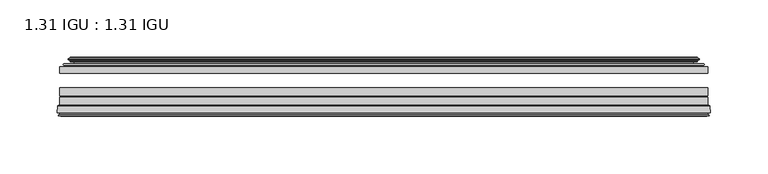
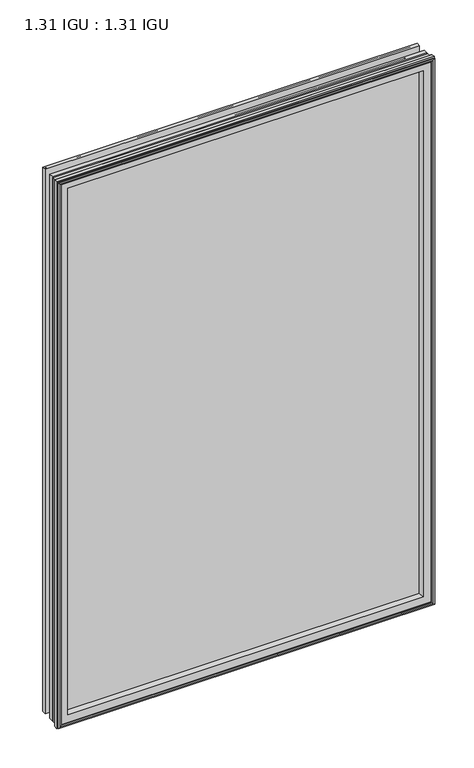
"""IFC4 building model written with IfcOpenShell, lengths in millimetres: plate geometry, 1.31 IGU : 1.31 IGU."""

import ifcopenshell
import ifcopenshell.guid

model = None  # the IFC model being written
_history = None  # IfcOwnerHistory: only IFC2X3 demands one
_inside = {}  # id of a spatial element -> (the spatial element, [elements in it])
_under = {}  # id of a project, library or spatial element -> (it, [spatial elements below it])
_declared = {}  # id of a project -> (the project, [libraries it declares])
_typed = {}  # id of a type object -> (the type object, [elements of that type])
_made_of = {}  # id of a material, layer set ... -> (it, [elements and type objects made of it])


def new_model(schema):
    """Start an empty IFC model of exactly this schema.

    Asked for "IFC4X3", IfcOpenShell would pick the latest addendum, in which some entities
    have other attributes; the version numbers below select the first issue.
    IFC2X3 requires an IfcOwnerHistory on every rooted entity: one is made here for all.
    """
    global model, _history
    if schema == "IFC4X3":
        model = ifcopenshell.file(schema_version=(4, 3, 0, 0))
    else:
        model = ifcopenshell.file(schema=schema)
    _inside.clear()
    _under.clear()
    _declared.clear()
    _typed.clear()
    _made_of.clear()
    _history = None
    if model.schema == "IFC2X3":
        org = make("IfcOrganization", Name="unknown")
        user = make(
            "IfcPersonAndOrganization",
            ThePerson=make("IfcPerson", FamilyName="unknown"),
            TheOrganization=org,
        )
        app = make(
            "IfcApplication",
            ApplicationDeveloper=org,
            Version="unknown",
            ApplicationFullName="unknown",
            ApplicationIdentifier="unknown",
        )
        _history = make(
            "IfcOwnerHistory",
            OwningUser=user,
            OwningApplication=app,
            ChangeAction="ADDED",
            CreationDate=0,
        )
    return model


def make(cls, **values):
    """One entity of the class cls with the attributes given. An attribute that is None is left unset."""
    return model.create_entity(
        cls, **{name: value for name, value in values.items() if value is not None}
    )


def rooted(cls, **values):
    """An entity with a GlobalId (a new one), such as an element, a storey or a relation."""
    return make(cls, GlobalId=ifcopenshell.guid.new(), OwnerHistory=_history, **values)


def si_unit(unit_type, name, prefix=None):
    """IfcSIUnit, for example si_unit("LENGTHUNIT", "METRE", prefix="MILLI")."""
    return make("IfcSIUnit", UnitType=unit_type, Prefix=prefix, Name=name)


def assignment(units):
    """IfcUnitAssignment: the units of a project."""
    return None if units is None else make("IfcUnitAssignment", Units=units)


def point(xyz):
    """IfcCartesianPoint."""
    return None if xyz is None else make("IfcCartesianPoint", Coordinates=xyz)


def direction(xyz):
    """IfcDirection."""
    return None if xyz is None else make("IfcDirection", DirectionRatios=xyz)


def frame(location, z_axis=None, x_axis=None):
    """IfcAxis2Placement3D, a coordinate frame: its origin and axes. An axis left out is left unset."""
    return make(
        "IfcAxis2Placement3D",
        Location=point(location),
        Axis=direction(z_axis),
        RefDirection=direction(x_axis),
    )


def origin():
    """The frame at (0, 0, 0) with its axes left unset."""
    return frame((0.0, 0.0, 0.0))


def place(relative_to, where):
    """IfcLocalPlacement: puts the frame where relative to a parent placement (None: the world)."""
    return make(
        "IfcLocalPlacement", PlacementRelTo=relative_to, RelativePlacement=where
    )


def context(
    kind, dimensions, precision=None, world=None, true_north=None, identifier=None
):
    """IfcGeometricRepresentationContext, for example the 3D "Model" context."""
    return make(
        "IfcGeometricRepresentationContext",
        ContextIdentifier=identifier,
        ContextType=kind,
        CoordinateSpaceDimension=dimensions,
        Precision=precision,
        WorldCoordinateSystem=world,
        TrueNorth=true_north,
    )


def project(units=None, contexts=None):
    """IfcProject with its units and contexts."""
    return rooted(
        "IfcProject",
        Name="project",
        RepresentationContexts=contexts,
        UnitsInContext=assignment(units),
    )


def spatial(cls, under=None, at=None, **own):
    """A site, building, storey or space (cls), placed at a placement, below another one or the project."""
    s = rooted(cls, ObjectPlacement=at, **own)
    if under is not None:
        _under.setdefault(under.id(), (under, []))[1].append(s)
    return s


def polyline(points):
    """IfcPolyline through the points."""
    return make("IfcPolyline", Points=[point(p) for p in points])


def ellipse_curve(where, semi_axis1, semi_axis2):
    """IfcEllipse in the frame where."""
    return make(
        "IfcEllipse", Position=where, SemiAxis1=semi_axis1, SemiAxis2=semi_axis2
    )


def outline(outer, holes=None, kind="AREA"):
    """IfcArbitraryClosedProfileDef: a profile drawn as a closed curve; with holes, ...WithVoids."""
    if holes is None:
        return make("IfcArbitraryClosedProfileDef", ProfileType=kind, OuterCurve=outer)
    return make(
        "IfcArbitraryProfileDefWithVoids",
        ProfileType=kind,
        OuterCurve=outer,
        InnerCurves=holes,
    )


def extrude(swept, where, along, depth):
    """IfcExtrudedAreaSolid: the profile swept, set in the frame where, extruded along a direction by depth."""
    return make(
        "IfcExtrudedAreaSolid",
        SweptArea=swept,
        Position=where,
        ExtrudedDirection=direction(along),
        Depth=depth,
    )


def shape(context_of_items, identifier, shape_type, items):
    """IfcShapeRepresentation: the items that make up one representation, for example the "Body"."""
    return make(
        "IfcShapeRepresentation",
        ContextOfItems=context_of_items,
        RepresentationIdentifier=identifier,
        RepresentationType=shape_type,
        Items=items,
    )


def source(mapping_origin, context_of_items, identifier, shape_type, items):
    """IfcRepresentationMap: a shape defined once, which mapped items show again and again."""
    return make(
        "IfcRepresentationMap",
        MappingOrigin=mapping_origin,
        MappedRepresentation=shape(context_of_items, identifier, shape_type, items),
    )


def transform(
    local_origin,
    x_axis=None,
    y_axis=None,
    z_axis=None,
    scale=None,
    scale2=None,
    scale3=None,
    uniform=True,
):
    """IfcCartesianTransformationOperator3D, or its non-uniform kind. x_axis, y_axis, z_axis: its Axis1, 2, 3."""
    if uniform:
        return make(
            "IfcCartesianTransformationOperator3D",
            Axis1=direction(x_axis),
            Axis2=direction(y_axis),
            LocalOrigin=point(local_origin),
            Scale=scale,
            Axis3=direction(z_axis),
        )
    return make(
        "IfcCartesianTransformationOperator3DnonUniform",
        Axis1=direction(x_axis),
        Axis2=direction(y_axis),
        LocalOrigin=point(local_origin),
        Scale=scale,
        Axis3=direction(z_axis),
        Scale2=scale2,
        Scale3=scale3,
    )


def mapped(mapping_source, mapping_target):
    """IfcMappedItem: shows the shape of a source again, moved by a transform."""
    return make(
        "IfcMappedItem", MappingSource=mapping_source, MappingTarget=mapping_target
    )


def made_of(thing, what):
    """Note that an element or type object is made of a material, layer set ...; save() writes the relation."""
    if what is not None:
        _made_of.setdefault(what.id(), (what, []))[1].append(thing)
    return thing


def element(
    cls,
    number,
    at=None,
    inside=None,
    cuts=None,
    type_object=None,
    material=None,
    context=None,
    identifier="Body",
    shape_type=None,
    held_by="IfcProductDefinitionShape",
    body=None,
    shapes=None,
    **own,
):
    """One element of the class cls, such as IfcWall. Its Tag is "e" and its number.

    at: its placement. inside: the storey or other place that contains it. cuts: it is an
    opening in that element (IfcRelVoidsElement). A single representation is given by context,
    identifier, shape_type and body (its items); several are given by shapes. held_by: the class
    of the entity that holds the representations. save() writes the other relations.
    """
    e = rooted(cls, Tag="e%d" % number, ObjectPlacement=at, **own)
    if body is not None:
        shapes = [shape(context, identifier, shape_type, body)]
    if shapes is not None:
        e.Representation = make(held_by, Representations=shapes)
    if inside is not None:
        _inside.setdefault(inside.id(), (inside, []))[1].append(e)
    if cuts is not None:
        rooted(
            "IfcRelVoidsElement", RelatingBuildingElement=cuts, RelatedOpeningElement=e
        )
    if type_object is not None:
        _typed.setdefault(type_object.id(), (type_object, []))[1].append(e)
    return made_of(e, material)


def aggregate(whole, parts):
    """IfcRelAggregates: a whole, such as a stair, and the parts it consists of."""
    return rooted("IfcRelAggregates", RelatingObject=whole, RelatedObjects=parts)


def save(model, path):
    """Write the relations noted so far, then the file.

    IfcRelAggregates (storeys below a building ...), IfcRelContainedInSpatialStructure (elements
    in a storey), IfcRelDefinesByType, IfcRelAssociatesMaterial and IfcRelDeclares: one each for
    every whole, place, type object, material and project.
    """
    for whole, parts in _under.values():
        aggregate(whole, parts)
    for where, things in _inside.values():
        rooted(
            "IfcRelContainedInSpatialStructure",
            RelatedElements=things,
            RelatingStructure=where,
        )
    for kind, things in _typed.values():
        rooted("IfcRelDefinesByType", RelatedObjects=things, RelatingType=kind)
    for what, things in _made_of.values():
        rooted("IfcRelAssociatesMaterial", RelatedObjects=things, RelatingMaterial=what)
    for by, libraries in _declared.values():
        rooted("IfcRelDeclares", RelatingContext=by, RelatedDefinitions=libraries)
    model.write(path)


def plane_surface(at):
    """IfcPlane: the flat surface through the origin of the frame at, square to its z axis."""
    return make("IfcPlane", Position=at)


def cylinder_surface(at, radius):
    """IfcCylindricalSurface: all points at the distance radius from the z axis of the frame at."""
    return make("IfcCylindricalSurface", Position=at, Radius=radius)


def revolved_surface(curve, axis_point, axis_direction):
    """IfcSurfaceOfRevolution: the curve turned about the line through axis_point along axis_direction."""
    return make(
        "IfcSurfaceOfRevolution",
        SweptCurve=make("IfcArbitraryOpenProfileDef", ProfileType="CURVE", Curve=curve),
        AxisPosition=make("IfcAxis1Placement", Location=point(axis_point), Axis=direction(axis_direction)),
    )


def advanced_brep(points, edges, surfaces, faces):
    """IfcAdvancedBrep: a solid bounded by faces that lie on surfaces and meet in shared edges.

    An edge is (start, end): straight between two places in points (the first is 0);
    or (start, end, curve); or (start, end, curve, False) where it runs against its curve.
    A face is (place in surfaces, loops), or (place, loops, False) where it looks against
    its surface's normal. A loop lists edges by number (the first is 1), with a minus sign
    where the edge is run from its end to its start. The first loop is the outer one.
    """
    corners = [point(p) for p in points]
    vertices = [make("IfcVertexPoint", VertexGeometry=c) for c in corners]
    made = []
    for start, end, *more in edges:
        made.append(
            make(
                "IfcEdgeCurve",
                EdgeStart=vertices[start],
                EdgeEnd=vertices[end],
                EdgeGeometry=more[0] if more else make("IfcPolyline", Points=[corners[start], corners[end]]),
                SameSense=more[1] if len(more) > 1 else True,
            )
        )
    hull = []
    for where, loops, *sense in faces:
        bounds = []
        for j, loop in enumerate(loops):
            ring = [make("IfcOrientedEdge", EdgeElement=made[abs(k) - 1], Orientation=k > 0) for k in loop]
            bounds.append(
                make(
                    "IfcFaceOuterBound" if j == 0 else "IfcFaceBound",
                    Bound=make("IfcEdgeLoop", EdgeList=ring),
                    Orientation=True,
                )
            )
        hull.append(make("IfcAdvancedFace", Bounds=bounds, FaceSurface=surfaces[where], SameSense=sense[0] if sense else True))
    return make("IfcAdvancedBrep", Outer=make("IfcClosedShell", CfsFaces=hull))


def plate_1_31_igu_1_31_igu_ec37af78(model_context):
    return source(origin(), model_context, "Body", "SolidModel", [
        extrude(outline(polyline([(284.1575649, -44.8960875), (284.1575649, -50.4332875), (-284.1625, -50.4332875), (-284.1625, -44.8960875), (284.1575649, -44.8960875)])), frame((0.0, 0.0, -14.2875), z_axis=(0.0, 0.0, 1.0), x_axis=(1.0, 0.0, 0.0)), (0.0, 0.0, 1.0), 873.125),
        extrude(outline(polyline([(-284.1625, -78.7796875), (-284.1625, -71.7692875), (284.1575649, -71.7692875), (284.1575649, -78.7796875), (-284.1625, -78.7796875)])), frame((0.0, 0.0, -14.2875), z_axis=(0.0, 0.0, 1.0), x_axis=(1.0, 0.0, 0.0)), (0.0, 0.0, 1.0), 873.125),
        extrude(outline(polyline([(-284.1625, -70.2452875), (-284.1625, -63.1332875), (284.1575649, -63.1332875), (284.1575649, -70.2452875), (-284.1625, -70.2452875)])), frame((0.0, 0.0, -14.2875), z_axis=(0.0, 0.0, 1.0), x_axis=(1.0, 0.0, 0.0)), (0.0, 0.0, 1.0), 873.125),
        advanced_brep(
        [(-286.7094039, -85.1296875, 861.3844039), (-286.0146201, -79.4711276, 860.6896201), (-286.0146201, -79.4711276, -16.1396201), (-286.7094039, -85.1296875, -16.8344039), (-284.3218039, -87.1207518, 858.9968039), (-284.7790039, -85.1296875, 859.4540039), (-284.7790039, -85.1296875, -14.9040039), (-284.3218039, -87.1207518, -14.4468039), (-285.3231658, -86.8524376, 859.9981658), (-285.3231658, -86.8524376, -15.4481658), (-285.5664039, -87.7602147, 860.2414039), (-285.5664039, -87.7602147, -15.6914039), (-283.5344039, -88.3046875, 858.2094039), (-283.5344039, -88.3046875, -13.6594039), (-281.5024039, -87.7602147, 856.1774039), (-281.5024039, -87.7602147, -11.6274039), (-281.7456421, -86.8524376, 856.4206421), (-281.7456421, -86.8524376, -11.8706421), (-282.7470039, -87.1207518, 857.4220039), (-282.7470039, -87.1207518, -12.8720039), (-282.2898039, -85.1296875, 856.9648039), (-282.2898039, -85.1296875, -12.4148039), (-285.2330893, -78.7796875, 859.9080893), (-285.2330893, -78.7796875, -15.3580893), (286.0146201, -79.4711276, -16.1396201), (286.7094039, -85.1296875, -16.8344039), (284.7790039, -85.1296875, -14.9040039), (284.3218039, -87.1207518, -14.4468039), (285.3231658, -86.8524376, -15.4481658), (285.5664039, -87.7602147, -15.6914039), (283.5344039, -88.3046875, -13.6594039), (281.5024039, -87.7602147, -11.6274039), (281.7456421, -86.8524376, -11.8706421), (282.7470039, -87.1207518, -12.8720039), (282.2898039, -85.1296875, -12.4148039), (285.2330893, -78.7796875, -15.3580893), (286.0146201, -79.4711276, 860.6896201), (286.7094039, -85.1296875, 861.3844039), (284.7790039, -85.1296875, 859.4540039), (284.3218039, -87.1207518, 858.9968039), (285.3231658, -86.8524376, 859.9981658), (285.5664039, -87.7602147, 860.2414039), (283.5344039, -88.3046875, 858.2094039), (281.5024039, -87.7602147, 856.1774039), (281.7456421, -86.8524376, 856.4206421), (282.7470039, -87.1207518, 857.4220039), (282.2898039, -85.1296875, 856.9648039), (285.2330893, -78.7796875, 859.9080893), (-269.8872131, -85.1296875, 844.5622131), (269.8872131, -85.1296875, 844.5622131), (269.8872131, -85.1296875, -0.0122131), (-269.8872131, -85.1296875, -0.0122131), (-266.5709362, -78.7796875, 3.3040638), (266.5709362, -78.7796875, 3.3040638), (266.5709362, -78.7796875, 841.2459362), (-266.5709362, -78.7796875, 841.2459362)],
        [
            (0, 1),
            (1, 2),
            (2, 3),
            (3, 0),
            (4, 5),
            (5, 6),
            (6, 7),
            (7, 4),
            (8, 4),
            (7, 9),
            (9, 8),
            (10, 8),
            (9, 11),
            (11, 10),
            (12, 10),
            (11, 13),
            (13, 12),
            (14, 12),
            (13, 15),
            (15, 14),
            (16, 14),
            (15, 17),
            (17, 16),
            (18, 16),
            (17, 19),
            (19, 18),
            (20, 18),
            (19, 21),
            (21, 20),
            (1, 22, ellipse_curve(frame((-285.2330893, -79.5670875, 859.9080893), z_axis=(-0.7071067811865475, 0.0, -0.7071067811865475), x_axis=(-0.7071067811865474, 0.0, 0.7071067811865476)), 1.1135518, 0.7874)),
            (22, 23),
            (23, 2, ellipse_curve(frame((-285.2330893, -79.5670875, -15.3580893), z_axis=(-0.7071067811865475, 0.0, 0.7071067811865475), x_axis=(0.7071067811865474, 0.0, 0.7071067811865476)), 1.1135518, 0.7874)),
            (2, 24),
            (24, 25),
            (25, 3),
            (6, 26),
            (26, 27),
            (27, 7),
            (27, 28),
            (28, 9),
            (28, 29),
            (29, 11),
            (29, 30),
            (30, 13),
            (30, 31),
            (31, 15),
            (31, 32),
            (32, 17),
            (32, 33),
            (33, 19),
            (33, 34),
            (34, 21),
            (23, 35),
            (35, 24, ellipse_curve(frame((285.2330893, -79.5670875, -15.3580893), z_axis=(-0.7071067811865475, 0.0, -0.7071067811865475), x_axis=(-0.7071067811865476, 0.0, 0.7071067811865474)), 1.1135518, 0.7874)),
            (24, 36),
            (36, 37),
            (37, 25),
            (26, 38),
            (38, 39),
            (39, 27),
            (39, 40),
            (40, 28),
            (40, 41),
            (41, 29),
            (41, 42),
            (42, 30),
            (42, 43),
            (43, 31),
            (43, 44),
            (44, 32),
            (44, 45),
            (45, 33),
            (45, 46),
            (46, 34),
            (35, 47),
            (47, 36, ellipse_curve(frame((285.2330893, -79.5670875, 859.9080893), z_axis=(0.7071067811865475, 0.0, -0.7071067811865475), x_axis=(-0.7071067811865474, 0.0, -0.7071067811865476)), 1.1135518, 0.7874)),
            (36, 1),
            (0, 37),
            (5, 38),
            (4, 39),
            (8, 40),
            (10, 41),
            (12, 42),
            (14, 43),
            (16, 44),
            (18, 45),
            (20, 46),
            (48, 49),
            (49, 50),
            (50, 51),
            (51, 48),
            (22, 47),
            (52, 53),
            (53, 54),
            (54, 55),
            (55, 52),
            (55, 48, ellipse_curve(frame((-258.6379182, -86.963653, 833.3129182), z_axis=(0.7071067811865475, 0.0, 0.7071067811865475), x_axis=(0.7071067811865474, 0.0, -0.7071067811865476)), 16.118937, 11.3978097)),
            (51, 52, ellipse_curve(frame((-258.6379182, -86.963653, 11.2370818), z_axis=(0.7071067811865475, 0.0, -0.7071067811865475), x_axis=(-0.7071067811865474, 0.0, -0.7071067811865476)), 16.118937, 11.3978097)),
            (50, 53, ellipse_curve(frame((258.6379182, -86.963653, 11.2370818), z_axis=(0.7071067811865475, 0.0, 0.7071067811865475), x_axis=(0.7071067811865476, 0.0, -0.7071067811865474)), 16.118937, 11.3978097)),
            (49, 54, ellipse_curve(frame((258.6379182, -86.963653, 833.3129182), z_axis=(-0.7071067811865475, 0.0, 0.7071067811865475), x_axis=(0.7071067811865474, 0.0, 0.7071067811865476)), 16.118937, 11.3978097)),
        ],
        [
            plane_surface(frame((-286.0146201, -79.4711276, 860.6896201), z_axis=(-0.9925461516413008, 0.1218693434053207, 0.0), x_axis=(0.0, 0.0, -1.0))),
            plane_surface(frame((-284.7790039, -85.1296875, 859.4540039), z_axis=(-0.9746347637895997, -0.22380142361654332, 0.0), x_axis=(0.0, 0.0, -1.0))),
            plane_surface(frame((-284.3218039, -87.1207518, 858.9968039), z_axis=(0.2588190451026679, 0.9659258262890289, 0.0), x_axis=(0.0, 0.0, -1.0))),
            plane_surface(frame((-285.3231658, -86.8524376, 859.9981658), z_axis=(-0.9659258262890449, 0.25881904510260834, 0.0), x_axis=(0.0, 0.0, -1.0))),
            plane_surface(frame((-285.5664039, -87.7602147, 860.2414039), z_axis=(-0.258819045102569, -0.9659258262890554, 0.0), x_axis=(0.0, 0.0, -1.0))),
            plane_surface(frame((-283.5344039, -88.3046875, 858.2094039), z_axis=(0.2588190451024146, -0.9659258262890968, 0.0), x_axis=(0.0, 0.0, -1.0))),
            plane_surface(frame((-281.5024039, -87.7602147, 856.1774039), z_axis=(0.9659258262890272, 0.258819045102674, 0.0), x_axis=(0.0, 0.0, -1.0))),
            plane_surface(frame((-281.7456421, -86.8524376, 856.4206421), z_axis=(-0.2588190451023417, 0.9659258262891163, 0.0), x_axis=(0.0, 0.0, -1.0))),
            plane_surface(frame((-282.7470039, -87.1207518, 857.4220039), z_axis=(0.9746347637895936, -0.2238014236165695, 0.0), x_axis=(0.0, 0.0, -1.0))),
            cylinder_surface(frame((-285.2330893, -79.5670875, 876.3), z_axis=(0.0, 0.0, 1.0), x_axis=(-1.0, 0.0, 0.0)), 0.7874),
            plane_surface(frame((-286.0146201, -79.4711276, -16.1396201), z_axis=(0.0, 0.12186934340531747, -0.9925461516413012), x_axis=(1.0, 0.0, 0.0))),
            plane_surface(frame((-284.7790039, -85.1296875, -14.9040039), z_axis=(0.0, -0.22380142361654648, -0.9746347637895989), x_axis=(1.0, 0.0, 0.0))),
            plane_surface(frame((-284.3218039, -87.1207518, -14.4468039), z_axis=(0.0, 0.9659258262890298, 0.25881904510266474), x_axis=(1.0, 0.0, 0.0))),
            plane_surface(frame((-285.3231658, -86.8524376, -15.4481658), z_axis=(0.0, 0.25881904510260517, -0.9659258262890458), x_axis=(1.0, 0.0, 0.0))),
            plane_surface(frame((-285.5664039, -87.7602147, -15.6914039), z_axis=(0.0, -0.9659258262890563, -0.2588190451025658), x_axis=(1.0, 0.0, 0.0))),
            plane_surface(frame((-283.5344039, -88.3046875, -13.6594039), z_axis=(0.0, -0.965925826289096, 0.25881904510241777), x_axis=(1.0, 0.0, 0.0))),
            plane_surface(frame((-281.5024039, -87.7602147, -11.6274039), z_axis=(0.0, 0.2588190451026772, 0.9659258262890265), x_axis=(1.0, 0.0, 0.0))),
            plane_surface(frame((-281.7456421, -86.8524376, -11.8706421), z_axis=(0.0, 0.9659258262891154, -0.2588190451023449), x_axis=(1.0, 0.0, 0.0))),
            plane_surface(frame((-282.7470039, -87.1207518, -12.8720039), z_axis=(0.0, -0.22380142361656633, 0.9746347637895943), x_axis=(1.0, 0.0, 0.0))),
            cylinder_surface(frame((-301.625, -79.5670875, -15.3580893), z_axis=(-1.0, 0.0, 0.0), x_axis=(0.0, 0.0, -1.0)), 0.7874),
            plane_surface(frame((286.0146201, -79.4711276, -16.1396201), z_axis=(0.9925461516413017, 0.12186934340531423, 0.0), x_axis=(0.0, 0.0, 1.0))),
            plane_surface(frame((284.7790039, -85.1296875, -14.9040039), z_axis=(0.9746347637895981, -0.22380142361654964, 0.0), x_axis=(0.0, 0.0, 1.0))),
            plane_surface(frame((284.3218039, -87.1207518, -14.4468039), z_axis=(-0.25881904510266157, 0.9659258262890307, 0.0), x_axis=(0.0, 0.0, 1.0))),
            plane_surface(frame((285.3231658, -86.8524376, -15.4481658), z_axis=(0.9659258262890467, 0.258819045102602, 0.0), x_axis=(0.0, 0.0, 1.0))),
            plane_surface(frame((285.5664039, -87.7602147, -15.6914039), z_axis=(0.25881904510256265, -0.9659258262890572, 0.0), x_axis=(0.0, 0.0, 1.0))),
            plane_surface(frame((283.5344039, -88.3046875, -13.6594039), z_axis=(-0.25881904510242093, -0.9659258262890951, 0.0), x_axis=(0.0, 0.0, 1.0))),
            plane_surface(frame((281.5024039, -87.7602147, -11.6274039), z_axis=(-0.9659258262890256, 0.2588190451026804, 0.0), x_axis=(0.0, 0.0, 1.0))),
            plane_surface(frame((281.7456421, -86.8524376, -11.8706421), z_axis=(0.2588190451023481, 0.9659258262891146, 0.0), x_axis=(0.0, 0.0, 1.0))),
            plane_surface(frame((282.7470039, -87.1207518, -12.8720039), z_axis=(-0.9746347637895951, -0.22380142361656316, 0.0), x_axis=(0.0, 0.0, 1.0))),
            cylinder_surface(frame((285.2330893, -79.5670875, -31.75), z_axis=(0.0, 0.0, -1.0), x_axis=(1.0, 0.0, 0.0)), 0.7874),
            plane_surface(frame((286.0146201, -79.4711276, 860.6896201), z_axis=(0.0, 0.12186934340531747, 0.9925461516413012), x_axis=(-1.0, 0.0, 0.0))),
            plane_surface(frame((286.7094039, -85.1296875, 861.3844039), z_axis=(0.0, -1.0, 0.0), x_axis=(-1.0, 0.0, 0.0))),
            plane_surface(frame((284.7790039, -85.1296875, 859.4540039), z_axis=(0.0, -0.22380142361654648, 0.9746347637895989), x_axis=(-1.0, 0.0, 0.0))),
            plane_surface(frame((284.3218039, -87.1207518, 858.9968039), z_axis=(0.0, 0.9659258262890298, -0.25881904510266474), x_axis=(-1.0, 0.0, 0.0))),
            plane_surface(frame((285.3231658, -86.8524376, 859.9981658), z_axis=(0.0, 0.25881904510260517, 0.9659258262890458), x_axis=(-1.0, 0.0, 0.0))),
            plane_surface(frame((285.5664039, -87.7602147, 860.2414039), z_axis=(0.0, -0.9659258262890563, 0.2588190451025658), x_axis=(-1.0, 0.0, 0.0))),
            plane_surface(frame((283.5344039, -88.3046875, 858.2094039), z_axis=(0.0, -0.965925826289096, -0.25881904510241777), x_axis=(-1.0, 0.0, 0.0))),
            plane_surface(frame((281.5024039, -87.7602147, 856.1774039), z_axis=(0.0, 0.2588190451026772, -0.9659258262890265), x_axis=(-1.0, 0.0, 0.0))),
            plane_surface(frame((281.7456421, -86.8524376, 856.4206421), z_axis=(0.0, 0.9659258262891155, 0.25881904510234494), x_axis=(-1.0, 0.0, 0.0))),
            plane_surface(frame((282.7470039, -87.1207518, 857.4220039), z_axis=(0.0, -0.22380142361656633, -0.9746347637895943), x_axis=(-1.0, 0.0, 0.0))),
            plane_surface(frame((282.2898039, -85.1296875, 856.9648039), z_axis=(0.0, -1.0, 0.0), x_axis=(-1.0, 0.0, 0.0))),
            plane_surface(frame((266.5709362, -78.7796875, 841.2459362), z_axis=(0.0, 1.0, 0.0), x_axis=(-1.0, 0.0, 0.0))),
            cylinder_surface(frame((301.625, -79.5670875, 859.9080893), z_axis=(1.0, 0.0, 0.0), x_axis=(0.0, 0.0, 1.0)), 0.7874),
            revolved_surface(polyline([(-270.0357279, -86.963653, -0.1607278582187064), (-270.0357279, -86.963653, 844.7107278582188)]), (-258.6379182, -86.963653, 876.3), (0.0, 0.0, -1.0)),
            revolved_surface(polyline([(270.0357278582188, -86.963653, -0.16072789999999948), (-270.03572785821876, -86.963653, -0.16072789999999948)]), (-301.625, -86.963653, 11.2370818), (1.0, 0.0, 0.0)),
            revolved_surface(polyline([(270.0357279, -86.963653, 844.7107278582188), (270.0357279, -86.963653, -0.16072785821874191)]), (258.6379182, -86.963653, -31.75), (0.0, 0.0, 1.0)),
            revolved_surface(polyline([(-270.0357278582188, -86.963653, 844.7107279), (270.03572785821876, -86.963653, 844.7107279)]), (301.625, -86.963653, 833.3129182), (-1.0, 0.0, 0.0)),
        ],
        [
            (0, [[1, 2, 3, 4]]),
            (1, [[5, 6, 7, 8]]),
            (2, [[9, -8, 10, 11]]),
            (3, [[12, -11, 13, 14]]),
            (4, [[15, -14, 16, 17]]),
            (5, [[18, -17, 19, 20]]),
            (6, [[21, -20, 22, 23]]),
            (7, [[24, -23, 25, 26]]),
            (8, [[27, -26, 28, 29]]),
            (9, [[30, 31, 32, -2]]),
            (10, [[-3, 33, 34, 35]]),
            (11, [[-7, 36, 37, 38]]),
            (12, [[-10, -38, 39, 40]]),
            (13, [[-13, -40, 41, 42]]),
            (14, [[-16, -42, 43, 44]]),
            (15, [[-19, -44, 45, 46]]),
            (16, [[-22, -46, 47, 48]]),
            (17, [[-25, -48, 49, 50]]),
            (18, [[-28, -50, 51, 52]]),
            (19, [[-32, 53, 54, -33]]),
            (20, [[-34, 55, 56, 57]]),
            (21, [[-37, 58, 59, 60]]),
            (22, [[-39, -60, 61, 62]]),
            (23, [[-41, -62, 63, 64]]),
            (24, [[-43, -64, 65, 66]]),
            (25, [[-45, -66, 67, 68]]),
            (26, [[-47, -68, 69, 70]]),
            (27, [[-49, -70, 71, 72]]),
            (28, [[-51, -72, 73, 74]]),
            (29, [[-54, 75, 76, -55]]),
            (30, [[-56, 77, -1, 78]]),
            (31, [[-35, -57, -78, -4], [79, -58, -36, -6]]),
            (32, [[-59, -79, -5, 80]]),
            (33, [[-61, -80, -9, 81]]),
            (34, [[-63, -81, -12, 82]]),
            (35, [[-65, -82, -15, 83]]),
            (36, [[-67, -83, -18, 84]]),
            (37, [[-69, -84, -21, 85]]),
            (38, [[-71, -85, -24, 86]]),
            (39, [[-73, -86, -27, 87]]),
            (40, [[-52, -74, -87, -29], [88, 89, 90, 91]]),
            (41, [[92, -75, -53, -31], [93, 94, 95, 96]]),
            (42, [[-76, -92, -30, -77]]),
            (43, [[97, -91, 98, -96]]),
            (44, [[-98, -90, 99, -93]]),
            (45, [[-99, -89, 100, -94]]),
            (46, [[-100, -88, -97, -95]]),
        ],
    ),
        advanced_brep(
        [(-274.8171755, -37.7373382, 849.4921755), (-269.8755426, -36.3108875, 844.5505426), (-269.8755426, -36.3108875, -0.0005426), (-274.8171755, -37.7373382, -4.9421755), (-274.6520702, -36.9605789, 849.3270702), (-274.6520702, -36.9605789, -4.7770702), (-275.2475559, -36.4771203, 849.9225559), (-275.2475559, -36.4771203, -5.3725559), (-276.5121917, -37.766076, 851.1871917), (-276.5121917, -37.766076, -6.6371917), (-276.5013749, -38.8797852, 851.1763749), (-276.5013749, -38.8797852, -6.6263749), (-275.2198897, -40.1361433, 849.8948897), (-275.2198897, -40.1361433, -5.3448897), (-274.6148829, -39.649943, 849.2898829), (-274.6148829, -39.649943, -4.7398829), (-275.1688972, -39.0959287, 849.8438972), (-275.1688972, -39.0959287, -5.2938972), (-272.8830887, -38.7029881, 847.5580887), (-272.8830887, -38.7029881, -3.0080887), (-271.4240157, -40.2107282, 846.0990157), (-271.4240157, -40.2107282, -1.5490157), (-271.7205976, -41.651269, 846.3955976), (-271.7205976, -41.651269, -1.8455976), (-272.4918221, -42.2798875, 847.1668221), (-272.4918221, -42.2798875, -2.6168221), (-280.7957984, -43.4871542, 855.4707984), (-280.5205969, -42.2798875, 855.1955969), (-280.5205969, -42.2798875, -10.6455969), (-280.7957984, -43.4871542, -10.9207984), (-277.3382297, -44.8960875, 852.0132297), (-277.3382297, -44.8960875, -7.4632297), (-266.2406059, -44.023302, 840.9156059), (-266.5959439, -44.8960875, 841.2709439), (-266.5959439, -44.8960875, 3.2790561), (-266.2406059, -44.023302, 3.6343941), (-266.911804, -43.3681812, 841.586804), (-266.911804, -43.3681812, 2.963196), (-268.5525946, -40.6686056, 843.2275946), (-268.5525946, -40.6686056, 1.3224054), (269.8755426, -36.3108875, -0.0005426), (274.8171755, -37.7373382, -4.9421755), (274.6520702, -36.9605789, -4.7770702), (275.2475559, -36.4771203, -5.3725559), (276.5121917, -37.766076, -6.6371917), (276.5013749, -38.8797852, -6.6263749), (275.2198897, -40.1361433, -5.3448897), (274.6148829, -39.649943, -4.7398829), (275.1688972, -39.0959287, -5.2938972), (272.8830887, -38.7029881, -3.0080887), (271.4240157, -40.2107282, -1.5490157), (271.7205976, -41.651269, -1.8455976), (272.4918221, -42.2798875, -2.6168221), (280.5205969, -42.2798875, -10.6455969), (280.7957984, -43.4871542, -10.9207984), (277.3382297, -44.8960875, -7.4632297), (266.5959439, -44.8960875, 3.2790561), (266.2406059, -44.023302, 3.6343941), (266.911804, -43.3681812, 2.963196), (268.5525946, -40.6686056, 1.3224054), (269.8755426, -36.3108875, 844.5505426), (274.8171755, -37.7373382, 849.4921755), (274.6520702, -36.9605789, 849.3270702), (275.2475559, -36.4771203, 849.9225559), (276.5121917, -37.766076, 851.1871917), (276.5013749, -38.8797852, 851.1763749), (275.2198897, -40.1361433, 849.8948897), (274.6148829, -39.649943, 849.2898829), (275.1688972, -39.0959287, 849.8438972), (272.8830887, -38.7029881, 847.5580887), (271.4240157, -40.2107282, 846.0990157), (271.7205976, -41.651269, 846.3955976), (272.4918221, -42.2798875, 847.1668221), (280.5205969, -42.2798875, 855.1955969), (280.7957984, -43.4871542, 855.4707984), (277.3382297, -44.8960875, 852.0132297), (266.5959439, -44.8960875, 841.2709439), (266.2406059, -44.023302, 840.9156059), (266.911804, -43.3681812, 841.586804), (268.5525946, -40.6686056, 843.2275946)],
        [
            (0, 1),
            (1, 2),
            (2, 3),
            (3, 0),
            (4, 0),
            (3, 5),
            (5, 4),
            (6, 4, ellipse_curve(frame((-274.9725871, -36.746901, 849.6475871), z_axis=(-0.7071067811865475, 0.0, -0.7071067811865475), x_axis=(-0.7071067811865474, 0.0, 0.7071067811865476)), 0.5447741, 0.3852135)),
            (5, 7, ellipse_curve(frame((-274.9725871, -36.746901, -5.0975871), z_axis=(-0.7071067811865475, 0.0, 0.7071067811865475), x_axis=(0.7071067811865474, 0.0, 0.7071067811865476)), 0.5447741, 0.3852135)),
            (7, 6),
            (8, 6),
            (7, 9),
            (9, 8),
            (10, 8, ellipse_curve(frame((-275.9501387, -38.3175243, 850.6251387), z_axis=(-0.7071067811865475, 0.0, -0.7071067811865475), x_axis=(-0.7071067811865474, 0.0, 0.7071067811865476)), 1.1135518, 0.7874)),
            (9, 11, ellipse_curve(frame((-275.9501387, -38.3175243, -6.0751387), z_axis=(-0.7071067811865475, 0.0, 0.7071067811865475), x_axis=(0.7071067811865474, 0.0, 0.7071067811865476)), 1.1135518, 0.7874)),
            (11, 10),
            (12, 10),
            (11, 13),
            (13, 12),
            (14, 12, ellipse_curve(frame((-274.9462922, -39.8570738, 849.6212922), z_axis=(-0.7071067811865475, 0.0, -0.7071067811865475), x_axis=(-0.7071067811865474, 0.0, 0.7071067811865476)), 0.552694, 0.3908137)),
            (13, 15, ellipse_curve(frame((-274.9462922, -39.8570738, -5.0712922), z_axis=(-0.7071067811865475, 0.0, 0.7071067811865475), x_axis=(0.7071067811865474, 0.0, 0.7071067811865476)), 0.552694, 0.3908137)),
            (15, 14),
            (16, 14),
            (15, 17),
            (17, 16),
            (18, 16),
            (17, 19),
            (19, 18),
            (20, 18, ellipse_curve(frame((-272.6679261, -39.954629, 847.3429261), z_axis=(0.7071067811865475, 0.0, 0.7071067811865475), x_axis=(0.7071067811865474, 0.0, -0.7071067811865476)), 1.7960512, 1.27)),
            (19, 21, ellipse_curve(frame((-272.6679261, -39.954629, -2.7929261), z_axis=(0.7071067811865475, 0.0, -0.7071067811865475), x_axis=(-0.7071067811865474, 0.0, -0.7071067811865476)), 1.7960512, 1.27)),
            (21, 20),
            (22, 20),
            (21, 23),
            (23, 22),
            (24, 22, ellipse_curve(frame((-272.4918221, -41.4924875, 847.1668221), z_axis=(0.7071067811865475, 0.0, 0.7071067811865475), x_axis=(0.7071067811865474, 0.0, -0.7071067811865476)), 1.1135518, 0.7874)),
            (23, 25, ellipse_curve(frame((-272.4918221, -41.4924875, -2.6168221), z_axis=(0.7071067811865475, 0.0, -0.7071067811865475), x_axis=(-0.7071067811865474, 0.0, -0.7071067811865476)), 1.1135518, 0.7874)),
            (25, 24),
            (26, 27, ellipse_curve(frame((-280.5205969, -42.9148875, 855.1955969), z_axis=(-0.7071067811865475, 0.0, -0.7071067811865475), x_axis=(-0.7071067811865474, 0.0, 0.7071067811865476)), 0.8980256, 0.635)),
            (27, 28),
            (28, 29, ellipse_curve(frame((-280.5205969, -42.9148875, -10.6455969), z_axis=(-0.7071067811865475, 0.0, 0.7071067811865475), x_axis=(0.7071067811865474, 0.0, 0.7071067811865476)), 0.8980256, 0.635)),
            (29, 26),
            (30, 26),
            (29, 31),
            (31, 30),
            (32, 33, ellipse_curve(frame((-266.5959439, -44.3873602, 841.2709439), z_axis=(-0.7071067811865475, 0.0, -0.7071067811865475), x_axis=(-0.7071067811865474, 0.0, 0.7071067811865476)), 0.719449, 0.5087273)),
            (33, 34),
            (34, 35, ellipse_curve(frame((-266.5959439, -44.3873602, 3.2790561), z_axis=(-0.7071067811865475, 0.0, 0.7071067811865475), x_axis=(0.7071067811865474, 0.0, 0.7071067811865476)), 0.719449, 0.5087273)),
            (35, 32),
            (36, 32),
            (35, 37),
            (37, 36),
            (38, 36, ellipse_curve(frame((-262.4764298, -38.823959, 837.1514298), z_axis=(0.7071067811865475, 0.0, 0.7071067811865475), x_axis=(0.7071067811865474, 0.0, -0.7071067811865476)), 8.9802561, 6.35)),
            (37, 39, ellipse_curve(frame((-262.4764298, -38.823959, 7.3985702), z_axis=(0.7071067811865475, 0.0, -0.7071067811865475), x_axis=(-0.7071067811865474, 0.0, -0.7071067811865476)), 8.9802561, 6.35)),
            (39, 38),
            (1, 38),
            (39, 2),
            (2, 40),
            (40, 41),
            (41, 3),
            (41, 42),
            (42, 5),
            (42, 43, ellipse_curve(frame((274.9725871, -36.746901, -5.0975871), z_axis=(-0.7071067811865475, 0.0, -0.7071067811865475), x_axis=(-0.7071067811865476, 0.0, 0.7071067811865474)), 0.5447741, 0.3852135)),
            (43, 7),
            (43, 44),
            (44, 9),
            (44, 45, ellipse_curve(frame((275.9501387, -38.3175243, -6.0751387), z_axis=(-0.7071067811865475, 0.0, -0.7071067811865475), x_axis=(-0.7071067811865476, 0.0, 0.7071067811865474)), 1.1135518, 0.7874)),
            (45, 11),
            (45, 46),
            (46, 13),
            (46, 47, ellipse_curve(frame((274.9462922, -39.8570738, -5.0712922), z_axis=(-0.7071067811865475, 0.0, -0.7071067811865475), x_axis=(-0.7071067811865476, 0.0, 0.7071067811865474)), 0.552694, 0.3908137)),
            (47, 15),
            (47, 48),
            (48, 17),
            (48, 49),
            (49, 19),
            (49, 50, ellipse_curve(frame((272.6679261, -39.954629, -2.7929261), z_axis=(0.7071067811865475, 0.0, 0.7071067811865475), x_axis=(0.7071067811865476, 0.0, -0.7071067811865474)), 1.7960512, 1.27)),
            (50, 21),
            (50, 51),
            (51, 23),
            (51, 52, ellipse_curve(frame((272.4918221, -41.4924875, -2.6168221), z_axis=(0.7071067811865475, 0.0, 0.7071067811865475), x_axis=(0.7071067811865476, 0.0, -0.7071067811865474)), 1.1135518, 0.7874)),
            (52, 25),
            (28, 53),
            (53, 54, ellipse_curve(frame((280.5205969, -42.9148875, -10.6455969), z_axis=(-0.7071067811865475, 0.0, -0.7071067811865475), x_axis=(-0.7071067811865476, 0.0, 0.7071067811865474)), 0.8980256, 0.635)),
            (54, 29),
            (54, 55),
            (55, 31),
            (34, 56),
            (56, 57, ellipse_curve(frame((266.5959439, -44.3873602, 3.2790561), z_axis=(-0.7071067811865475, 0.0, -0.7071067811865475), x_axis=(-0.7071067811865476, 0.0, 0.7071067811865474)), 0.719449, 0.5087273)),
            (57, 35),
            (57, 58),
            (58, 37),
            (58, 59, ellipse_curve(frame((262.4764298, -38.823959, 7.3985702), z_axis=(0.7071067811865475, 0.0, 0.7071067811865475), x_axis=(0.7071067811865476, 0.0, -0.7071067811865474)), 8.9802561, 6.35)),
            (59, 39),
            (59, 40),
            (40, 60),
            (60, 61),
            (61, 41),
            (61, 62),
            (62, 42),
            (62, 63, ellipse_curve(frame((274.9725871, -36.746901, 849.6475871), z_axis=(0.7071067811865475, 0.0, -0.7071067811865475), x_axis=(-0.7071067811865474, 0.0, -0.7071067811865476)), 0.5447741, 0.3852135)),
            (63, 43),
            (63, 64),
            (64, 44),
            (64, 65, ellipse_curve(frame((275.9501387, -38.3175243, 850.6251387), z_axis=(0.7071067811865475, 0.0, -0.7071067811865475), x_axis=(-0.7071067811865474, 0.0, -0.7071067811865476)), 1.1135518, 0.7874)),
            (65, 45),
            (65, 66),
            (66, 46),
            (66, 67, ellipse_curve(frame((274.9462922, -39.8570738, 849.6212922), z_axis=(0.7071067811865475, 0.0, -0.7071067811865475), x_axis=(-0.7071067811865474, 0.0, -0.7071067811865476)), 0.552694, 0.3908137)),
            (67, 47),
            (67, 68),
            (68, 48),
            (68, 69),
            (69, 49),
            (69, 70, ellipse_curve(frame((272.6679261, -39.954629, 847.3429261), z_axis=(-0.7071067811865475, 0.0, 0.7071067811865475), x_axis=(0.7071067811865474, 0.0, 0.7071067811865476)), 1.7960512, 1.27)),
            (70, 50),
            (70, 71),
            (71, 51),
            (71, 72, ellipse_curve(frame((272.4918221, -41.4924875, 847.1668221), z_axis=(-0.7071067811865475, 0.0, 0.7071067811865475), x_axis=(0.7071067811865474, 0.0, 0.7071067811865476)), 1.1135518, 0.7874)),
            (72, 52),
            (53, 73),
            (73, 74, ellipse_curve(frame((280.5205969, -42.9148875, 855.1955969), z_axis=(0.7071067811865475, 0.0, -0.7071067811865475), x_axis=(-0.7071067811865474, 0.0, -0.7071067811865476)), 0.8980256, 0.635)),
            (74, 54),
            (74, 75),
            (75, 55),
            (56, 76),
            (76, 77, ellipse_curve(frame((266.5959439, -44.3873602, 841.2709439), z_axis=(0.7071067811865475, 0.0, -0.7071067811865475), x_axis=(-0.7071067811865474, 0.0, -0.7071067811865476)), 0.719449, 0.5087273)),
            (77, 57),
            (77, 78),
            (78, 58),
            (78, 79, ellipse_curve(frame((262.4764298, -38.823959, 837.1514298), z_axis=(-0.7071067811865475, 0.0, 0.7071067811865475), x_axis=(0.7071067811865474, 0.0, 0.7071067811865476)), 8.9802561, 6.35)),
            (79, 59),
            (79, 60),
            (60, 1),
            (0, 61),
            (4, 62),
            (6, 63),
            (8, 64),
            (10, 65),
            (12, 66),
            (14, 67),
            (16, 68),
            (18, 69),
            (20, 70),
            (22, 71),
            (24, 72),
            (27, 73),
            (26, 74),
            (30, 75),
            (33, 76),
            (32, 77),
            (36, 78),
            (38, 79),
        ],
        [
            plane_surface(frame((-269.8755426, -36.3108875, 844.5505426), z_axis=(-0.27733649284928463, 0.9607728502273879, 0.0), x_axis=(0.0, 0.0, -1.0))),
            plane_surface(frame((-274.8171755, -37.7373382, 849.4921755), z_axis=(0.9781476007338358, -0.20791169081761773, 0.0), x_axis=(0.0, 0.0, -1.0))),
            cylinder_surface(frame((-274.9725871, -36.746901, 876.3), z_axis=(0.0, 0.0, 1.0), x_axis=(-1.0, 0.0, 0.0)), 0.3852135),
            plane_surface(frame((-275.2475559, -36.4771203, 849.9225559), z_axis=(-0.7138087599382162, 0.7003406701280929, 0.0), x_axis=(0.0, 0.0, -1.0))),
            cylinder_surface(frame((-275.9501387, -38.3175243, 876.3), z_axis=(0.0, 0.0, 1.0), x_axis=(-1.0, 0.0, 0.0)), 0.7874),
            plane_surface(frame((-276.5013749, -38.8797852, 851.1763749), z_axis=(-0.7000714109283733, -0.7140728391423082, 0.0), x_axis=(0.0, 0.0, -1.0))),
            cylinder_surface(frame((-274.9462922, -39.8570738, 876.3), z_axis=(0.0, 0.0, 1.0), x_axis=(-1.0, 0.0, 0.0)), 0.3908137),
            plane_surface(frame((-274.6148829, -39.649943, 849.2898829), z_axis=(0.7071067811861126, 0.7071067811869826, 0.0), x_axis=(0.0, 0.0, -1.0))),
            plane_surface(frame((-275.1688972, -39.0959287, 849.8438972), z_axis=(0.1694194067101148, -0.9855440449974789, 0.0), x_axis=(0.0, 0.0, -1.0))),
            revolved_surface(polyline([(-273.93792609999997, -39.954629, -4.0629260828783345), (-273.93792609999997, -39.954629, 848.6129260828783)]), (-272.6679261, -39.954629, 876.3), (0.0, 0.0, -1.0)),
            plane_surface(frame((-271.4240157, -40.2107282, 846.0990157), z_axis=(-0.9794570432566897, 0.20165292067030202, 0.0), x_axis=(0.0, 0.0, -1.0))),
            revolved_surface(polyline([(-273.27922209999997, -41.4924875, -3.4042221289824965), (-273.27922209999997, -41.4924875, 847.9542221289825)]), (-272.4918221, -41.4924875, 876.3), (0.0, 0.0, -1.0)),
            cylinder_surface(frame((-280.5205969, -42.9148875, 876.3), z_axis=(0.0, 0.0, 1.0), x_axis=(-1.0, 0.0, 0.0)), 0.635),
            plane_surface(frame((-280.7957984, -43.4871542, 855.4707984), z_axis=(-0.37736447542757934, -0.9260648209954139, 0.0), x_axis=(0.0, 0.0, -1.0))),
            cylinder_surface(frame((-266.5959439, -44.3873602, 876.3), z_axis=(0.0, 0.0, 1.0), x_axis=(-1.0, 0.0, 0.0)), 0.5087273),
            plane_surface(frame((-266.2406059, -44.023302, 840.9156059), z_axis=(0.698484125849927, 0.7156255486884628, 0.0), x_axis=(0.0, 0.0, -1.0))),
            revolved_surface(polyline([(-268.8264298, -38.823959, 1.0485702148981773), (-268.8264298, -38.823959, 843.5014297851018)]), (-262.4764298, -38.823959, 876.3), (0.0, 0.0, -1.0)),
            plane_surface(frame((-268.5525946, -40.6686056, 843.2275946), z_axis=(0.956876347351701, 0.2904955350411895, 0.0), x_axis=(0.0, 0.0, -1.0))),
            plane_surface(frame((-269.8755426, -36.3108875, -0.0005426), z_axis=(0.0, 0.960772850227387, -0.27733649284928774), x_axis=(1.0, 0.0, 0.0))),
            plane_surface(frame((-274.8171755, -37.7373382, -4.9421755), z_axis=(0.0, -0.20791169081761454, 0.9781476007338364), x_axis=(1.0, 0.0, 0.0))),
            cylinder_surface(frame((-301.625, -36.746901, -5.0975871), z_axis=(-1.0, 0.0, 0.0), x_axis=(0.0, 0.0, -1.0)), 0.3852135),
            plane_surface(frame((-275.2475559, -36.4771203, -5.3725559), z_axis=(0.0, 0.7003406701280904, -0.7138087599382185), x_axis=(1.0, 0.0, 0.0))),
            cylinder_surface(frame((-301.625, -38.3175243, -6.0751387), z_axis=(-1.0, 0.0, 0.0), x_axis=(0.0, 0.0, -1.0)), 0.7874),
            plane_surface(frame((-276.5013749, -38.8797852, -6.6263749), z_axis=(0.0, -0.7140728391423106, -0.700071410928371), x_axis=(1.0, 0.0, 0.0))),
            cylinder_surface(frame((-301.625, -39.8570738, -5.0712922), z_axis=(-1.0, 0.0, 0.0), x_axis=(0.0, 0.0, -1.0)), 0.3908137),
            plane_surface(frame((-274.6148829, -39.649943, -4.7398829), z_axis=(0.0, 0.7071067811869849, 0.7071067811861103), x_axis=(1.0, 0.0, 0.0))),
            plane_surface(frame((-275.1688972, -39.0959287, -5.2938972), z_axis=(0.0, -0.9855440449974784, 0.16941940671011801), x_axis=(1.0, 0.0, 0.0))),
            revolved_surface(polyline([(273.9379260828782, -39.954629, -4.0629261), (-273.9379260828782, -39.954629, -4.0629261)]), (-301.625, -39.954629, -2.7929261), (1.0, 0.0, 0.0)),
            plane_surface(frame((-271.4240157, -40.2107282, -1.5490157), z_axis=(0.0, 0.20165292067029883, -0.9794570432566904), x_axis=(1.0, 0.0, 0.0))),
            revolved_surface(polyline([(273.2792221289825, -41.4924875, -3.4042220999999997), (-273.27922212898244, -41.4924875, -3.4042220999999997)]), (-301.625, -41.4924875, -2.6168221), (1.0, 0.0, 0.0)),
            cylinder_surface(frame((-301.625, -42.9148875, -10.6455969), z_axis=(-1.0, 0.0, 0.0), x_axis=(0.0, 0.0, -1.0)), 0.635),
            plane_surface(frame((-280.7957984, -43.4871542, -10.9207984), z_axis=(0.0, -0.9260648209954151, -0.37736447542757634), x_axis=(1.0, 0.0, 0.0))),
            cylinder_surface(frame((-301.625, -44.3873602, 3.2790561), z_axis=(-1.0, 0.0, 0.0), x_axis=(0.0, 0.0, -1.0)), 0.5087273),
            plane_surface(frame((-266.2406059, -44.023302, 3.6343941), z_axis=(0.0, 0.7156255486884651, 0.6984841258499247), x_axis=(1.0, 0.0, 0.0))),
            revolved_surface(polyline([(268.8264297851018, -38.823959, 1.0485702000000003), (-268.8264297851019, -38.823959, 1.0485702000000003)]), (-301.625, -38.823959, 7.3985702), (1.0, 0.0, 0.0)),
            plane_surface(frame((-268.5525946, -40.6686056, 1.3224054), z_axis=(0.0, 0.29049553504119263, 0.9568763473517), x_axis=(1.0, 0.0, 0.0))),
            plane_surface(frame((269.8755426, -36.3108875, -0.0005426), z_axis=(0.27733649284929085, 0.9607728502273861, 0.0), x_axis=(0.0, 0.0, 1.0))),
            plane_surface(frame((274.8171755, -37.7373382, -4.9421755), z_axis=(-0.9781476007338371, -0.20791169081761135, 0.0), x_axis=(0.0, 0.0, 1.0))),
            cylinder_surface(frame((274.9725871, -36.746901, -31.75), z_axis=(0.0, 0.0, -1.0), x_axis=(1.0, 0.0, 0.0)), 0.3852135),
            plane_surface(frame((275.2475559, -36.4771203, -5.3725559), z_axis=(0.7138087599382208, 0.7003406701280881, 0.0), x_axis=(0.0, 0.0, 1.0))),
            cylinder_surface(frame((275.9501387, -38.3175243, -31.75), z_axis=(0.0, 0.0, -1.0), x_axis=(1.0, 0.0, 0.0)), 0.7874),
            plane_surface(frame((276.5013749, -38.8797852, -6.6263749), z_axis=(0.7000714109283687, -0.7140728391423129, 0.0), x_axis=(0.0, 0.0, 1.0))),
            cylinder_surface(frame((274.9462922, -39.8570738, -31.75), z_axis=(0.0, 0.0, -1.0), x_axis=(1.0, 0.0, 0.0)), 0.3908137),
            plane_surface(frame((274.6148829, -39.649943, -4.7398829), z_axis=(-0.7071067811861079, 0.7071067811869872, 0.0), x_axis=(0.0, 0.0, 1.0))),
            plane_surface(frame((275.1688972, -39.0959287, -5.2938972), z_axis=(-0.16941940671012123, -0.9855440449974778, 0.0), x_axis=(0.0, 0.0, 1.0))),
            revolved_surface(polyline([(273.93792609999997, -39.954629, 848.6129260828783), (273.93792609999997, -39.954629, -4.062926082878235)]), (272.6679261, -39.954629, -31.75), (0.0, 0.0, 1.0)),
            plane_surface(frame((271.4240157, -40.2107282, -1.5490157), z_axis=(0.979457043256691, 0.20165292067029564, 0.0), x_axis=(0.0, 0.0, 1.0))),
            revolved_surface(polyline([(273.27922209999997, -41.4924875, 847.9542221289825), (273.27922209999997, -41.4924875, -3.404222128982486)]), (272.4918221, -41.4924875, -31.75), (0.0, 0.0, 1.0)),
            cylinder_surface(frame((280.5205969, -42.9148875, -31.75), z_axis=(0.0, 0.0, -1.0), x_axis=(1.0, 0.0, 0.0)), 0.635),
            plane_surface(frame((280.7957984, -43.4871542, -10.9207984), z_axis=(0.37736447542757334, -0.9260648209954163, 0.0), x_axis=(0.0, 0.0, 1.0))),
            cylinder_surface(frame((266.5959439, -44.3873602, -31.75), z_axis=(0.0, 0.0, -1.0), x_axis=(1.0, 0.0, 0.0)), 0.5087273),
            plane_surface(frame((266.2406059, -44.023302, 3.6343941), z_axis=(-0.6984841258499224, 0.7156255486884673, 0.0), x_axis=(0.0, 0.0, 1.0))),
            revolved_surface(polyline([(268.8264298, -38.823959, 843.5014297851018), (268.8264298, -38.823959, 1.0485702148981417)]), (262.4764298, -38.823959, -31.75), (0.0, 0.0, 1.0)),
            plane_surface(frame((268.5525946, -40.6686056, 1.3224054), z_axis=(-0.9568763473516991, 0.2904955350411958, 0.0), x_axis=(0.0, 0.0, 1.0))),
            plane_surface(frame((269.8755426, -36.3108875, 844.5505426), z_axis=(0.0, 0.960772850227387, 0.27733649284928774), x_axis=(-1.0, 0.0, 0.0))),
            plane_surface(frame((274.8171755, -37.7373382, 849.4921755), z_axis=(0.0, -0.20791169081761454, -0.9781476007338364), x_axis=(-1.0, 0.0, 0.0))),
            cylinder_surface(frame((301.625, -36.746901, 849.6475871), z_axis=(1.0, 0.0, 0.0), x_axis=(0.0, 0.0, 1.0)), 0.3852135),
            plane_surface(frame((275.2475559, -36.4771203, 849.9225559), z_axis=(0.0, 0.7003406701280904, 0.7138087599382185), x_axis=(-1.0, 0.0, 0.0))),
            cylinder_surface(frame((301.625, -38.3175243, 850.6251387), z_axis=(1.0, 0.0, 0.0), x_axis=(0.0, 0.0, 1.0)), 0.7874),
            plane_surface(frame((276.5013749, -38.8797852, 851.1763749), z_axis=(0.0, -0.7140728391423106, 0.700071410928371), x_axis=(-1.0, 0.0, 0.0))),
            cylinder_surface(frame((301.625, -39.8570738, 849.6212922), z_axis=(1.0, 0.0, 0.0), x_axis=(0.0, 0.0, 1.0)), 0.3908137),
            plane_surface(frame((274.6148829, -39.649943, 849.2898829), z_axis=(0.0, 0.7071067811869849, -0.7071067811861103), x_axis=(-1.0, 0.0, 0.0))),
            plane_surface(frame((275.1688972, -39.0959287, 849.8438972), z_axis=(0.0, -0.9855440449974784, -0.16941940671011801), x_axis=(-1.0, 0.0, 0.0))),
            revolved_surface(polyline([(-273.9379260828782, -39.954629, 848.6129261), (273.9379260828782, -39.954629, 848.6129261)]), (301.625, -39.954629, 847.3429261), (-1.0, 0.0, 0.0)),
            plane_surface(frame((271.4240157, -40.2107282, 846.0990157), z_axis=(0.0, 0.20165292067029883, 0.9794570432566904), x_axis=(-1.0, 0.0, 0.0))),
            revolved_surface(polyline([(-273.2792221289825, -41.4924875, 847.9542221), (273.27922212898244, -41.4924875, 847.9542221)]), (301.625, -41.4924875, 847.1668221), (-1.0, 0.0, 0.0)),
            plane_surface(frame((272.4918221, -42.2798875, 847.1668221), z_axis=(0.0, 1.0, 0.0), x_axis=(-1.0, 0.0, 0.0))),
            cylinder_surface(frame((301.625, -42.9148875, 855.1955969), z_axis=(1.0, 0.0, 0.0), x_axis=(0.0, 0.0, 1.0)), 0.635),
            plane_surface(frame((280.7957984, -43.4871542, 855.4707984), z_axis=(0.0, -0.9260648209954151, 0.37736447542757634), x_axis=(-1.0, 0.0, 0.0))),
            plane_surface(frame((277.3382297, -44.8960875, 852.0132297), z_axis=(0.0, -1.0, 0.0), x_axis=(-1.0, 0.0, 0.0))),
            cylinder_surface(frame((301.625, -44.3873602, 841.2709439), z_axis=(1.0, 0.0, 0.0), x_axis=(0.0, 0.0, 1.0)), 0.5087273),
            plane_surface(frame((266.2406059, -44.023302, 840.9156059), z_axis=(0.0, 0.7156255486884651, -0.6984841258499247), x_axis=(-1.0, 0.0, 0.0))),
            revolved_surface(polyline([(-268.8264297851018, -38.823959, 843.5014298), (268.8264297851019, -38.823959, 843.5014298)]), (301.625, -38.823959, 837.1514298), (-1.0, 0.0, 0.0)),
            plane_surface(frame((268.5525946, -40.6686056, 843.2275946), z_axis=(0.0, 0.2904955350411927, -0.9568763473517001), x_axis=(-1.0, 0.0, 0.0))),
        ],
        [
            (0, [[1, 2, 3, 4]]),
            (1, [[5, -4, 6, 7]]),
            (2, [[8, -7, 9, 10]]),
            (3, [[11, -10, 12, 13]]),
            (4, [[14, -13, 15, 16]]),
            (5, [[17, -16, 18, 19]]),
            (6, [[20, -19, 21, 22]]),
            (7, [[23, -22, 24, 25]]),
            (8, [[26, -25, 27, 28]]),
            (9, [[29, -28, 30, 31]]),
            (10, [[32, -31, 33, 34]]),
            (11, [[35, -34, 36, 37]]),
            (12, [[38, 39, 40, 41]]),
            (13, [[42, -41, 43, 44]]),
            (14, [[45, 46, 47, 48]]),
            (15, [[49, -48, 50, 51]]),
            (16, [[52, -51, 53, 54]]),
            (17, [[55, -54, 56, -2]]),
            (18, [[-3, 57, 58, 59]]),
            (19, [[-6, -59, 60, 61]]),
            (20, [[-9, -61, 62, 63]]),
            (21, [[-12, -63, 64, 65]]),
            (22, [[-15, -65, 66, 67]]),
            (23, [[-18, -67, 68, 69]]),
            (24, [[-21, -69, 70, 71]]),
            (25, [[-24, -71, 72, 73]]),
            (26, [[-27, -73, 74, 75]]),
            (27, [[-30, -75, 76, 77]]),
            (28, [[-33, -77, 78, 79]]),
            (29, [[-36, -79, 80, 81]]),
            (30, [[-40, 82, 83, 84]]),
            (31, [[-43, -84, 85, 86]]),
            (32, [[-47, 87, 88, 89]]),
            (33, [[-50, -89, 90, 91]]),
            (34, [[-53, -91, 92, 93]]),
            (35, [[-56, -93, 94, -57]]),
            (36, [[-58, 95, 96, 97]]),
            (37, [[-60, -97, 98, 99]]),
            (38, [[-62, -99, 100, 101]]),
            (39, [[-64, -101, 102, 103]]),
            (40, [[-66, -103, 104, 105]]),
            (41, [[-68, -105, 106, 107]]),
            (42, [[-70, -107, 108, 109]]),
            (43, [[-72, -109, 110, 111]]),
            (44, [[-74, -111, 112, 113]]),
            (45, [[-76, -113, 114, 115]]),
            (46, [[-78, -115, 116, 117]]),
            (47, [[-80, -117, 118, 119]]),
            (48, [[-83, 120, 121, 122]]),
            (49, [[-85, -122, 123, 124]]),
            (50, [[-88, 125, 126, 127]]),
            (51, [[-90, -127, 128, 129]]),
            (52, [[-92, -129, 130, 131]]),
            (53, [[-94, -131, 132, -95]]),
            (54, [[-96, 133, -1, 134]]),
            (55, [[-98, -134, -5, 135]]),
            (56, [[-100, -135, -8, 136]]),
            (57, [[-102, -136, -11, 137]]),
            (58, [[-104, -137, -14, 138]]),
            (59, [[-106, -138, -17, 139]]),
            (60, [[-108, -139, -20, 140]]),
            (61, [[-110, -140, -23, 141]]),
            (62, [[-112, -141, -26, 142]]),
            (63, [[-114, -142, -29, 143]]),
            (64, [[-116, -143, -32, 144]]),
            (65, [[-118, -144, -35, 145]]),
            (66, [[146, -120, -82, -39], [-81, -119, -145, -37]]),
            (67, [[-121, -146, -38, 147]]),
            (68, [[-123, -147, -42, 148]]),
            (69, [[-86, -124, -148, -44], [149, -125, -87, -46]]),
            (70, [[-126, -149, -45, 150]]),
            (71, [[-128, -150, -49, 151]]),
            (72, [[-130, -151, -52, 152]]),
            (73, [[-132, -152, -55, -133]]),
        ],
    ),
    ])


if __name__ == "__main__":
    model = new_model("IFC4")
    model_context = context("Model", 3, world=origin())
    ifc_project = project(units=[si_unit("LENGTHUNIT", "METRE", prefix="MILLI")], contexts=[model_context])
    site = spatial("IfcSite", under=ifc_project)
    building = spatial("IfcBuilding", under=site)
    placement = place(None, origin())
    plate_1_31_igu_1_31_igu_shape = plate_1_31_igu_1_31_igu_ec37af78(model_context)
    element("IfcPlate", 1, ObjectType="1.31 IGU : 1.31 IGU", at=placement, inside=building, context=model_context, shape_type="MappedRepresentation", body=[
        mapped(plate_1_31_igu_1_31_igu_shape, transform((0.0, 0.0, 0.0), x_axis=(1.0, 0.0, 0.0), y_axis=(0.0, 1.0, 0.0), z_axis=(0.0, 0.0, 1.0))),
    ])
    save(model, "model.ifc")
